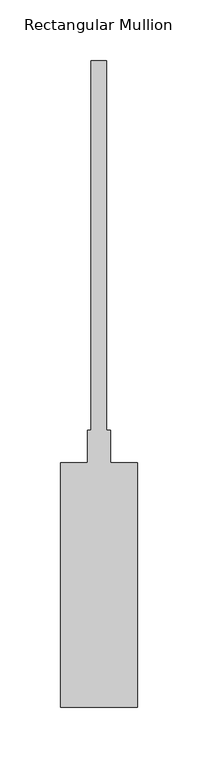
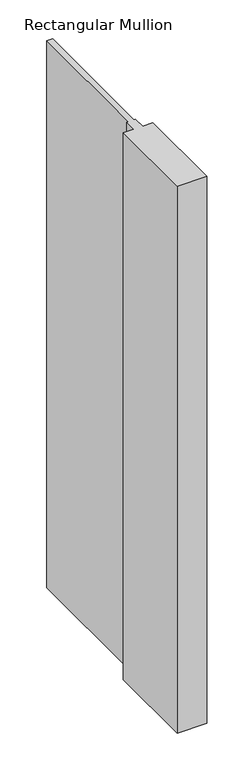
"""IFC4 building model written with IfcOpenShell, lengths in millimetres: member geometry, Rectangular Mullion."""

from ifc_helpers import new_model, si_unit, frame, origin, place, context, project, spatial, polyline, outline, extrude, source, transform, mapped, element, save


def rectangular_mullion_79c372c8(model_context):
    return source(origin(), model_context, "Body", "SweptSolid", [
        extrude(outline(polyline([(33.2101153, -228.6), (-30.2898847, -228.6), (-30.2898847, -26.9875), (-8.0648847, -26.9875), (-8.0648847, 0.0), (-4.8898847, 0.0), (-4.8898847, 304.8), (7.8101153, 304.8), (7.8101153, 0.0), (10.9851153, 0.0), (10.9851153, -26.9875), (33.2101153, -26.9875), (33.2101153, -228.6)])), frame((0.0, 0.0, -1250.95), z_axis=(0.0, 0.0, 1.0), x_axis=(1.0, 0.0, 0.0)), (0.0, 0.0, 1.0), 1250.95),
    ])


if __name__ == "__main__":
    model = new_model("IFC4")
    model_context = context("Model", 3, world=origin())
    ifc_project = project(units=[si_unit("LENGTHUNIT", "METRE", prefix="MILLI")], contexts=[model_context])
    site = spatial("IfcSite", under=ifc_project)
    building = spatial("IfcBuilding", under=site)
    placement = place(None, origin())
    rectangular_mullion_shape = rectangular_mullion_79c372c8(model_context)
    element("IfcMember", 1, ObjectType="Rectangular Mullion", at=placement, inside=building, context=model_context, shape_type="MappedRepresentation", body=[
        mapped(rectangular_mullion_shape, transform((0.0, 0.0, 0.0), x_axis=(1.0, 0.0, 0.0), y_axis=(0.0, 1.0, 0.0), z_axis=(0.0, 0.0, 1.0))),
    ])
    save(model, "model.ifc")
